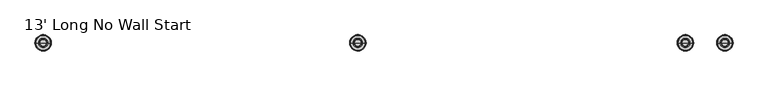
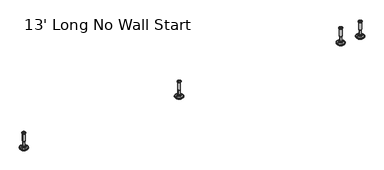
"""IFC4 building model written with IfcOpenShell, lengths in millimetres: furniture geometry, 13' Long No Wall Start."""

from ifc_helpers import new_model, si_unit, frame, origin, place, context, project, spatial, polyline, circle_curve, source, transform, mapped, element, save
from ifc_brep_helpers import plane_surface, cylinder_surface, revolved_surface, advanced_brep


def furniture_13_long_no_wall_start_446778b6(model_context):
    return source(origin(), model_context, "Body", "AdvancedBrep", [
        advanced_brep(
        [(971.7364323, 0.0, 101.6), (980.7143537, 0.0, 101.6), (962.7585109, 0.0, 101.6), (985.8406722, 0.0, 0.0206943), (971.7364323, 0.0, 0.0206943), (957.6321924, 0.0, 0.0206943), (990.718704, 0.0, 1.4194474), (952.7541606, 0.0, 1.4194474), (994.480619, 0.0, 4.7394056), (948.9922456, 0.0, 4.7394056), (995.5980686, 0.0, 7.5051905), (947.874796, 0.0, 7.5051905), (995.5980686, 0.0, 8.3065967), (947.874796, 0.0, 8.3065967), (994.7556654, 0.0, 9.8469348), (948.7171992, 0.0, 9.8469348), (993.6555228, 0.0, 10.8375077), (949.8173418, 0.0, 10.8375077), (986.3518276, 0.0, 12.7338946), (957.121037, 0.0, 12.7338946), (978.9336762, 0.0, 13.3828987), (964.5391884, 0.0, 13.3828987), (978.9336762, 0.0, 14.1772758), (964.5391884, 0.0, 14.1772758), (976.5368834, 0.0, 14.1772758), (966.9359812, 0.0, 14.1772758), (976.5368834, 0.0, 18.8098403), (966.9359812, 0.0, 18.8098403), (977.552736, 0.0, 19.8256929), (965.9201286, 0.0, 19.8256929), (977.552736, 0.0, 48.3056352), (965.9201286, 0.0, 48.3056352), (978.7762639, 0.0, 49.9293116), (964.6966007, 0.0, 49.9293116), (978.7762639, 0.0, 97.327223), (964.6966007, 0.0, 97.327223), (979.6573683, 0.0, 97.6479188), (963.8154963, 0.0, 97.6479188), (980.7063572, 0.0, 97.6479188), (962.7665074, 0.0, 97.6479188), (982.3713871, 0.0, 98.6092242), (961.1014775, 0.0, 98.6092242), (982.3713871, 0.0, 100.6043539), (961.1014775, 0.0, 100.6043539)],
        [
            (0, 1),
            (1, 2, circle_curve(frame((971.7364323, 0.0, 101.6), z_axis=(0.0, 0.0, 1.0), x_axis=(-1.0, 0.0, 0.0)), 8.9779214)),
            (2, 0),
            (2, 1, circle_curve(frame((971.7364323, 0.0, 101.6), z_axis=(0.0, 0.0, 1.0), x_axis=(-1.0, 0.0, 0.0)), 8.9779214)),
            (3, 4),
            (4, 5),
            (5, 3, circle_curve(frame((971.7364323, 0.0, 0.0206943), z_axis=(0.0, 0.0, -1.0), x_axis=(-1.0, 0.0, 0.0)), 14.1042399)),
            (3, 5, circle_curve(frame((971.7364323, 0.0, 0.0206943), z_axis=(0.0, 0.0, -1.0), x_axis=(-1.0, 0.0, 0.0)), 14.1042399)),
            (6, 3),
            (5, 7),
            (7, 6, circle_curve(frame((971.7364323, 0.0, 1.4194474), z_axis=(0.0, 0.0, -1.0), x_axis=(-1.0, 0.0, 0.0)), 18.9822717)),
            (6, 7, circle_curve(frame((971.7364323, 0.0, 1.4194474), z_axis=(0.0, 0.0, -1.0), x_axis=(-1.0, 0.0, 0.0)), 18.9822717)),
            (8, 6),
            (7, 9),
            (9, 8, circle_curve(frame((971.7364323, 0.0, 4.7394056), z_axis=(0.0, 0.0, -1.0), x_axis=(-1.0, 0.0, 0.0)), 22.7441867)),
            (8, 9, circle_curve(frame((971.7364323, 0.0, 4.7394056), z_axis=(0.0, 0.0, -1.0), x_axis=(-1.0, 0.0, 0.0)), 22.7441867)),
            (10, 8),
            (9, 11),
            (11, 10, circle_curve(frame((971.7364323, 0.0, 7.5051905), z_axis=(0.0, 0.0, -1.0), x_axis=(-1.0, 0.0, 0.0)), 23.8616363)),
            (10, 11, circle_curve(frame((971.7364323, 0.0, 7.5051905), z_axis=(0.0, 0.0, -1.0), x_axis=(-1.0, 0.0, 0.0)), 23.8616363)),
            (12, 10),
            (11, 13),
            (13, 12, circle_curve(frame((971.7364323, 0.0, 8.3065967), z_axis=(0.0, 0.0, -1.0), x_axis=(-1.0, 0.0, 0.0)), 23.8616363)),
            (12, 13, circle_curve(frame((971.7364323, 0.0, 8.3065967), z_axis=(0.0, 0.0, -1.0), x_axis=(-1.0, 0.0, 0.0)), 23.8616363)),
            (14, 12),
            (13, 15),
            (15, 14, circle_curve(frame((971.7364323, 0.0, 9.8469348), z_axis=(0.0, 0.0, -1.0), x_axis=(-1.0, 0.0, 0.0)), 23.0192331)),
            (14, 15, circle_curve(frame((971.7364323, 0.0, 9.8469348), z_axis=(0.0, 0.0, -1.0), x_axis=(-1.0, 0.0, 0.0)), 23.0192331)),
            (16, 14),
            (15, 17),
            (17, 16, circle_curve(frame((971.7364323, 0.0, 10.8375077), z_axis=(0.0, 0.0, -1.0), x_axis=(-1.0, 0.0, 0.0)), 21.9190905)),
            (16, 17, circle_curve(frame((971.7364323, 0.0, 10.8375077), z_axis=(0.0, 0.0, -1.0), x_axis=(-1.0, 0.0, 0.0)), 21.9190905)),
            (18, 16),
            (17, 19),
            (19, 18, circle_curve(frame((971.7364323, 0.0, 12.7338946), z_axis=(0.0, 0.0, -1.0), x_axis=(-1.0, 0.0, 0.0)), 14.6153953)),
            (18, 19, circle_curve(frame((971.7364323, 0.0, 12.7338946), z_axis=(0.0, 0.0, -1.0), x_axis=(-1.0, 0.0, 0.0)), 14.6153953)),
            (20, 18),
            (19, 21),
            (21, 20, circle_curve(frame((971.7364323, 0.0, 13.3828987), z_axis=(0.0, 0.0, -1.0), x_axis=(-1.0, 0.0, 0.0)), 7.1972439)),
            (20, 21, circle_curve(frame((971.7364323, 0.0, 13.3828987), z_axis=(0.0, 0.0, -1.0), x_axis=(-1.0, 0.0, 0.0)), 7.1972439)),
            (22, 20),
            (21, 23),
            (23, 22, circle_curve(frame((971.7364323, 0.0, 14.1772758), z_axis=(0.0, 0.0, -1.0), x_axis=(-1.0, 0.0, 0.0)), 7.1972439)),
            (22, 23, circle_curve(frame((971.7364323, 0.0, 14.1772758), z_axis=(0.0, 0.0, -1.0), x_axis=(-1.0, 0.0, 0.0)), 7.1972439)),
            (24, 22),
            (23, 25),
            (25, 24, circle_curve(frame((971.7364323, 0.0, 14.1772758), z_axis=(0.0, 0.0, -1.0), x_axis=(-1.0, 0.0, 0.0)), 4.8004511)),
            (24, 25, circle_curve(frame((971.7364323, 0.0, 14.1772758), z_axis=(0.0, 0.0, -1.0), x_axis=(-1.0, 0.0, 0.0)), 4.8004511)),
            (26, 24),
            (25, 27),
            (27, 26, circle_curve(frame((971.7364323, 0.0, 18.8098403), z_axis=(0.0, 0.0, -1.0), x_axis=(-1.0, 0.0, 0.0)), 4.8004511)),
            (26, 27, circle_curve(frame((971.7364323, 0.0, 18.8098403), z_axis=(0.0, 0.0, -1.0), x_axis=(-1.0, 0.0, 0.0)), 4.8004511)),
            (28, 26),
            (27, 29),
            (29, 28, circle_curve(frame((971.7364323, 0.0, 19.8256929), z_axis=(0.0, 0.0, -1.0), x_axis=(-1.0, 0.0, 0.0)), 5.8163037)),
            (28, 29, circle_curve(frame((971.7364323, 0.0, 19.8256929), z_axis=(0.0, 0.0, -1.0), x_axis=(-1.0, 0.0, 0.0)), 5.8163037)),
            (30, 28),
            (29, 31),
            (31, 30, circle_curve(frame((971.7364323, 0.0, 48.3056352), z_axis=(0.0, 0.0, -1.0), x_axis=(-1.0, 0.0, 0.0)), 5.8163037)),
            (30, 31, circle_curve(frame((971.7364323, 0.0, 48.3056352), z_axis=(0.0, 0.0, -1.0), x_axis=(-1.0, 0.0, 0.0)), 5.8163037)),
            (32, 30),
            (31, 33),
            (33, 32, circle_curve(frame((971.7364323, 0.0, 49.9293116), z_axis=(0.0, 0.0, -1.0), x_axis=(-1.0, 0.0, 0.0)), 7.0398316)),
            (32, 33, circle_curve(frame((971.7364323, 0.0, 49.9293116), z_axis=(0.0, 0.0, -1.0), x_axis=(-1.0, 0.0, 0.0)), 7.0398316)),
            (34, 32),
            (33, 35),
            (35, 34, circle_curve(frame((971.7364323, 0.0, 97.327223), z_axis=(0.0, 0.0, -1.0), x_axis=(-1.0, 0.0, 0.0)), 7.0398316)),
            (34, 35, circle_curve(frame((971.7364323, 0.0, 97.327223), z_axis=(0.0, 0.0, -1.0), x_axis=(-1.0, 0.0, 0.0)), 7.0398316)),
            (36, 34),
            (35, 37),
            (37, 36, circle_curve(frame((971.7364323, 0.0, 97.6479188), z_axis=(0.0, 0.0, -1.0), x_axis=(-1.0, 0.0, 0.0)), 7.920936)),
            (36, 37, circle_curve(frame((971.7364323, 0.0, 97.6479188), z_axis=(0.0, 0.0, -1.0), x_axis=(-1.0, 0.0, 0.0)), 7.920936)),
            (38, 36),
            (37, 39),
            (39, 38, circle_curve(frame((971.7364323, 0.0, 97.6479188), z_axis=(0.0, 0.0, -1.0), x_axis=(-1.0, 0.0, 0.0)), 8.9699249)),
            (38, 39, circle_curve(frame((971.7364323, 0.0, 97.6479188), z_axis=(0.0, 0.0, -1.0), x_axis=(-1.0, 0.0, 0.0)), 8.9699249)),
            (40, 38),
            (39, 41),
            (41, 40, circle_curve(frame((971.7364323, 0.0, 98.6092242), z_axis=(0.0, 0.0, -1.0), x_axis=(-1.0, 0.0, 0.0)), 10.6349548)),
            (40, 41, circle_curve(frame((971.7364323, 0.0, 98.6092242), z_axis=(0.0, 0.0, -1.0), x_axis=(-1.0, 0.0, 0.0)), 10.6349548)),
            (42, 40),
            (41, 43),
            (43, 42, circle_curve(frame((971.7364323, 0.0, 100.6043539), z_axis=(0.0, 0.0, -1.0), x_axis=(-1.0, 0.0, 0.0)), 10.6349548)),
            (42, 43, circle_curve(frame((971.7364323, 0.0, 100.6043539), z_axis=(0.0, 0.0, -1.0), x_axis=(-1.0, 0.0, 0.0)), 10.6349548)),
            (1, 42),
            (43, 2),
        ],
        [
            plane_surface(frame((971.7364323, 0.0, 101.6), z_axis=(0.0, 0.0, 1.0), x_axis=(-1.0, 0.0, 0.0))),
            plane_surface(frame((971.7364323, 0.0, 0.0206943), z_axis=(0.0, 0.0, -1.0), x_axis=(-1.0, 0.0, 0.0))),
            revolved_surface(polyline([(957.6321924, 0.0, 0.0206943), (952.7541606, 0.0, 1.4194474)]), (971.7364323, 0.0, 101.6), (0.0, 0.0, 1.0)),
            revolved_surface(polyline([(952.7541606, 0.0, 1.4194474), (948.9922456, 0.0, 4.7394056)]), (971.7364323, 0.0, 101.6), (0.0, 0.0, 1.0)),
            revolved_surface(polyline([(948.9922456, 0.0, 4.7394056), (947.874796, 0.0, 7.5051905)]), (971.7364323, 0.0, 101.6), (0.0, 0.0, 1.0)),
            cylinder_surface(frame((971.7364323, 0.0, 101.6), z_axis=(0.0, 0.0, 1.0), x_axis=(-1.0, 0.0, 0.0)), 23.8616363),
            revolved_surface(polyline([(947.874796, 0.0, 8.3065967), (948.7171992, 0.0, 9.8469348)]), (971.7364323, 0.0, 101.6), (0.0, 0.0, 1.0)),
            revolved_surface(polyline([(948.7171992, 0.0, 9.8469348), (949.8173418, 0.0, 10.8375077)]), (971.7364323, 0.0, 101.6), (0.0, 0.0, 1.0)),
            revolved_surface(polyline([(949.8173418, 0.0, 10.8375077), (957.121037, 0.0, 12.7338946)]), (971.7364323, 0.0, 101.6), (0.0, 0.0, 1.0)),
            revolved_surface(polyline([(957.121037, 0.0, 12.7338946), (964.5391884, 0.0, 13.3828987)]), (971.7364323, 0.0, 101.6), (0.0, 0.0, 1.0)),
            cylinder_surface(frame((971.7364323, 0.0, 101.6), z_axis=(0.0, 0.0, 1.0), x_axis=(-1.0, 0.0, 0.0)), 7.1972439),
            plane_surface(frame((971.7364323, 0.0, 14.1772758), z_axis=(0.0, 0.0, 1.0), x_axis=(-1.0, 0.0, 0.0))),
            cylinder_surface(frame((971.7364323, 0.0, 101.6), z_axis=(0.0, 0.0, 1.0), x_axis=(-1.0, 0.0, 0.0)), 4.8004511),
            revolved_surface(polyline([(966.9359812, 0.0, 18.8098403), (965.9201286, 0.0, 19.8256929)]), (971.7364323, 0.0, 101.6), (0.0, 0.0, 1.0)),
            cylinder_surface(frame((971.7364323, 0.0, 101.6), z_axis=(0.0, 0.0, 1.0), x_axis=(-1.0, 0.0, 0.0)), 5.8163037),
            revolved_surface(polyline([(965.9201286, 0.0, 48.3056352), (964.6966007, 0.0, 49.9293116)]), (971.7364323, 0.0, 101.6), (0.0, 0.0, 1.0)),
            cylinder_surface(frame((971.7364323, 0.0, 101.6), z_axis=(0.0, 0.0, 1.0), x_axis=(-1.0, 0.0, 0.0)), 7.0398316),
            revolved_surface(polyline([(964.6966007, 0.0, 97.327223), (963.8154963, 0.0, 97.6479188)]), (971.7364323, 0.0, 101.6), (0.0, 0.0, 1.0)),
            plane_surface(frame((971.7364323, 0.0, 97.6479188), z_axis=(0.0, 0.0, -1.0), x_axis=(-1.0, 0.0, 0.0))),
            revolved_surface(polyline([(962.7665074, 0.0, 97.6479188), (961.1014775, 0.0, 98.6092242)]), (971.7364323, 0.0, 101.6), (0.0, 0.0, 1.0)),
            cylinder_surface(frame((971.7364323, 0.0, 101.6), z_axis=(0.0, 0.0, 1.0), x_axis=(-1.0, 0.0, 0.0)), 10.6349548),
            revolved_surface(polyline([(961.1014775, 0.0, 100.6043539), (962.7585109, 0.0, 101.6)]), (971.7364323, 0.0, 101.6), (0.0, 0.0, 1.0)),
        ],
        [
            (0, [[1, 2, 3]]),
            (0, [[-3, 4, -1]]),
            (1, [[5, 6, 7]]),
            (1, [[-6, -5, 8]]),
            (2, [[9, -7, 10, 11]]),
            (2, [[-10, -8, -9, 12]]),
            (3, [[13, -11, 14, 15]]),
            (3, [[-14, -12, -13, 16]]),
            (4, [[17, -15, 18, 19]]),
            (4, [[-18, -16, -17, 20]]),
            (5, [[21, -19, 22, 23]]),
            (5, [[-22, -20, -21, 24]]),
            (6, [[25, -23, 26, 27]]),
            (6, [[-26, -24, -25, 28]]),
            (7, [[29, -27, 30, 31]]),
            (7, [[-30, -28, -29, 32]]),
            (8, [[33, -31, 34, 35]]),
            (8, [[-34, -32, -33, 36]]),
            (9, [[37, -35, 38, 39]]),
            (9, [[-38, -36, -37, 40]]),
            (10, [[41, -39, 42, 43]]),
            (10, [[-42, -40, -41, 44]]),
            (11, [[45, -43, 46, 47]]),
            (11, [[-46, -44, -45, 48]]),
            (12, [[49, -47, 50, 51]]),
            (12, [[-50, -48, -49, 52]]),
            (13, [[53, -51, 54, 55]]),
            (13, [[-54, -52, -53, 56]]),
            (14, [[57, -55, 58, 59]]),
            (14, [[-58, -56, -57, 60]]),
            (15, [[61, -59, 62, 63]]),
            (15, [[-62, -60, -61, 64]]),
            (16, [[65, -63, 66, 67]]),
            (16, [[-66, -64, -65, 68]]),
            (17, [[69, -67, 70, 71]]),
            (17, [[-70, -68, -69, 72]]),
            (18, [[73, -71, 74, 75]]),
            (18, [[-74, -72, -73, 76]]),
            (19, [[77, -75, 78, 79]]),
            (19, [[-78, -76, -77, 80]]),
            (20, [[81, -79, 82, 83]]),
            (20, [[-82, -80, -81, 84]]),
            (21, [[85, -83, 86, -2]]),
            (21, [[-86, -84, -85, -4]]),
        ],
    ),
        advanced_brep(
        [(2038.5364323, 0.0, 101.6), (2047.5143537, 0.0, 101.6), (2029.5585109, 0.0, 101.6), (2052.6406722, 0.0, 0.0206943), (2038.5364323, 0.0, 0.0206943), (2024.4321924, 0.0, 0.0206943), (2057.518704, 0.0, 1.4194474), (2019.5541606, 0.0, 1.4194474), (2061.280619, 0.0, 4.7394056), (2015.7922456, 0.0, 4.7394056), (2062.3980686, 0.0, 7.5051905), (2014.674796, 0.0, 7.5051905), (2062.3980686, 0.0, 8.3065967), (2014.674796, 0.0, 8.3065967), (2061.5556654, 0.0, 9.8469348), (2015.5171992, 0.0, 9.8469348), (2060.4555228, 0.0, 10.8375077), (2016.6173418, 0.0, 10.8375077), (2053.1518276, 0.0, 12.7338946), (2023.921037, 0.0, 12.7338946), (2045.7336762, 0.0, 13.3828987), (2031.3391884, 0.0, 13.3828987), (2045.7336762, 0.0, 14.1772758), (2031.3391884, 0.0, 14.1772758), (2043.3368834, 0.0, 14.1772758), (2033.7359812, 0.0, 14.1772758), (2043.3368834, 0.0, 18.8098403), (2033.7359812, 0.0, 18.8098403), (2044.352736, 0.0, 19.8256929), (2032.7201286, 0.0, 19.8256929), (2044.352736, 0.0, 48.3056352), (2032.7201286, 0.0, 48.3056352), (2045.5762639, 0.0, 49.9293116), (2031.4966007, 0.0, 49.9293116), (2045.5762639, 0.0, 97.327223), (2031.4966007, 0.0, 97.327223), (2046.4573683, 0.0, 97.6479188), (2030.6154963, 0.0, 97.6479188), (2047.5063572, 0.0, 97.6479188), (2029.5665074, 0.0, 97.6479188), (2049.1713871, 0.0, 98.6092242), (2027.9014775, 0.0, 98.6092242), (2049.1713871, 0.0, 100.6043539), (2027.9014775, 0.0, 100.6043539)],
        [
            (0, 1),
            (1, 2, circle_curve(frame((2038.5364323, 0.0, 101.6), z_axis=(0.0, 0.0, 1.0), x_axis=(-1.0, 0.0, 0.0)), 8.9779214)),
            (2, 0),
            (2, 1, circle_curve(frame((2038.5364323, 0.0, 101.6), z_axis=(0.0, 0.0, 1.0), x_axis=(-1.0, 0.0, 0.0)), 8.9779214)),
            (3, 4),
            (4, 5),
            (5, 3, circle_curve(frame((2038.5364323, 0.0, 0.0206943), z_axis=(0.0, 0.0, -1.0), x_axis=(-1.0, 0.0, 0.0)), 14.1042399)),
            (3, 5, circle_curve(frame((2038.5364323, 0.0, 0.0206943), z_axis=(0.0, 0.0, -1.0), x_axis=(-1.0, 0.0, 0.0)), 14.1042399)),
            (6, 3),
            (5, 7),
            (7, 6, circle_curve(frame((2038.5364323, 0.0, 1.4194474), z_axis=(0.0, 0.0, -1.0), x_axis=(-1.0, 0.0, 0.0)), 18.9822717)),
            (6, 7, circle_curve(frame((2038.5364323, 0.0, 1.4194474), z_axis=(0.0, 0.0, -1.0), x_axis=(-1.0, 0.0, 0.0)), 18.9822717)),
            (8, 6),
            (7, 9),
            (9, 8, circle_curve(frame((2038.5364323, 0.0, 4.7394056), z_axis=(0.0, 0.0, -1.0), x_axis=(-1.0, 0.0, 0.0)), 22.7441867)),
            (8, 9, circle_curve(frame((2038.5364323, 0.0, 4.7394056), z_axis=(0.0, 0.0, -1.0), x_axis=(-1.0, 0.0, 0.0)), 22.7441867)),
            (10, 8),
            (9, 11),
            (11, 10, circle_curve(frame((2038.5364323, 0.0, 7.5051905), z_axis=(0.0, 0.0, -1.0), x_axis=(-1.0, 0.0, 0.0)), 23.8616363)),
            (10, 11, circle_curve(frame((2038.5364323, 0.0, 7.5051905), z_axis=(0.0, 0.0, -1.0), x_axis=(-1.0, 0.0, 0.0)), 23.8616363)),
            (12, 10),
            (11, 13),
            (13, 12, circle_curve(frame((2038.5364323, 0.0, 8.3065967), z_axis=(0.0, 0.0, -1.0), x_axis=(-1.0, 0.0, 0.0)), 23.8616363)),
            (12, 13, circle_curve(frame((2038.5364323, 0.0, 8.3065967), z_axis=(0.0, 0.0, -1.0), x_axis=(-1.0, 0.0, 0.0)), 23.8616363)),
            (14, 12),
            (13, 15),
            (15, 14, circle_curve(frame((2038.5364323, 0.0, 9.8469348), z_axis=(0.0, 0.0, -1.0), x_axis=(-1.0, 0.0, 0.0)), 23.0192331)),
            (14, 15, circle_curve(frame((2038.5364323, 0.0, 9.8469348), z_axis=(0.0, 0.0, -1.0), x_axis=(-1.0, 0.0, 0.0)), 23.0192331)),
            (16, 14),
            (15, 17),
            (17, 16, circle_curve(frame((2038.5364323, 0.0, 10.8375077), z_axis=(0.0, 0.0, -1.0), x_axis=(-1.0, 0.0, 0.0)), 21.9190905)),
            (16, 17, circle_curve(frame((2038.5364323, 0.0, 10.8375077), z_axis=(0.0, 0.0, -1.0), x_axis=(-1.0, 0.0, 0.0)), 21.9190905)),
            (18, 16),
            (17, 19),
            (19, 18, circle_curve(frame((2038.5364323, 0.0, 12.7338946), z_axis=(0.0, 0.0, -1.0), x_axis=(-1.0, 0.0, 0.0)), 14.6153953)),
            (18, 19, circle_curve(frame((2038.5364323, 0.0, 12.7338946), z_axis=(0.0, 0.0, -1.0), x_axis=(-1.0, 0.0, 0.0)), 14.6153953)),
            (20, 18),
            (19, 21),
            (21, 20, circle_curve(frame((2038.5364323, 0.0, 13.3828987), z_axis=(0.0, 0.0, -1.0), x_axis=(-1.0, 0.0, 0.0)), 7.1972439)),
            (20, 21, circle_curve(frame((2038.5364323, 0.0, 13.3828987), z_axis=(0.0, 0.0, -1.0), x_axis=(-1.0, 0.0, 0.0)), 7.1972439)),
            (22, 20),
            (21, 23),
            (23, 22, circle_curve(frame((2038.5364323, 0.0, 14.1772758), z_axis=(0.0, 0.0, -1.0), x_axis=(-1.0, 0.0, 0.0)), 7.1972439)),
            (22, 23, circle_curve(frame((2038.5364323, 0.0, 14.1772758), z_axis=(0.0, 0.0, -1.0), x_axis=(-1.0, 0.0, 0.0)), 7.1972439)),
            (24, 22),
            (23, 25),
            (25, 24, circle_curve(frame((2038.5364323, 0.0, 14.1772758), z_axis=(0.0, 0.0, -1.0), x_axis=(-1.0, 0.0, 0.0)), 4.8004511)),
            (24, 25, circle_curve(frame((2038.5364323, 0.0, 14.1772758), z_axis=(0.0, 0.0, -1.0), x_axis=(-1.0, 0.0, 0.0)), 4.8004511)),
            (26, 24),
            (25, 27),
            (27, 26, circle_curve(frame((2038.5364323, 0.0, 18.8098403), z_axis=(0.0, 0.0, -1.0), x_axis=(-1.0, 0.0, 0.0)), 4.8004511)),
            (26, 27, circle_curve(frame((2038.5364323, 0.0, 18.8098403), z_axis=(0.0, 0.0, -1.0), x_axis=(-1.0, 0.0, 0.0)), 4.8004511)),
            (28, 26),
            (27, 29),
            (29, 28, circle_curve(frame((2038.5364323, 0.0, 19.8256929), z_axis=(0.0, 0.0, -1.0), x_axis=(-1.0, 0.0, 0.0)), 5.8163037)),
            (28, 29, circle_curve(frame((2038.5364323, 0.0, 19.8256929), z_axis=(0.0, 0.0, -1.0), x_axis=(-1.0, 0.0, 0.0)), 5.8163037)),
            (30, 28),
            (29, 31),
            (31, 30, circle_curve(frame((2038.5364323, 0.0, 48.3056352), z_axis=(0.0, 0.0, -1.0), x_axis=(-1.0, 0.0, 0.0)), 5.8163037)),
            (30, 31, circle_curve(frame((2038.5364323, 0.0, 48.3056352), z_axis=(0.0, 0.0, -1.0), x_axis=(-1.0, 0.0, 0.0)), 5.8163037)),
            (32, 30),
            (31, 33),
            (33, 32, circle_curve(frame((2038.5364323, 0.0, 49.9293116), z_axis=(0.0, 0.0, -1.0), x_axis=(-1.0, 0.0, 0.0)), 7.0398316)),
            (32, 33, circle_curve(frame((2038.5364323, 0.0, 49.9293116), z_axis=(0.0, 0.0, -1.0), x_axis=(-1.0, 0.0, 0.0)), 7.0398316)),
            (34, 32),
            (33, 35),
            (35, 34, circle_curve(frame((2038.5364323, 0.0, 97.327223), z_axis=(0.0, 0.0, -1.0), x_axis=(-1.0, 0.0, 0.0)), 7.0398316)),
            (34, 35, circle_curve(frame((2038.5364323, 0.0, 97.327223), z_axis=(0.0, 0.0, -1.0), x_axis=(-1.0, 0.0, 0.0)), 7.0398316)),
            (36, 34),
            (35, 37),
            (37, 36, circle_curve(frame((2038.5364323, 0.0, 97.6479188), z_axis=(0.0, 0.0, -1.0), x_axis=(-1.0, 0.0, 0.0)), 7.920936)),
            (36, 37, circle_curve(frame((2038.5364323, 0.0, 97.6479188), z_axis=(0.0, 0.0, -1.0), x_axis=(-1.0, 0.0, 0.0)), 7.920936)),
            (38, 36),
            (37, 39),
            (39, 38, circle_curve(frame((2038.5364323, 0.0, 97.6479188), z_axis=(0.0, 0.0, -1.0), x_axis=(-1.0, 0.0, 0.0)), 8.9699249)),
            (38, 39, circle_curve(frame((2038.5364323, 0.0, 97.6479188), z_axis=(0.0, 0.0, -1.0), x_axis=(-1.0, 0.0, 0.0)), 8.9699249)),
            (40, 38),
            (39, 41),
            (41, 40, circle_curve(frame((2038.5364323, 0.0, 98.6092242), z_axis=(0.0, 0.0, -1.0), x_axis=(-1.0, 0.0, 0.0)), 10.6349548)),
            (40, 41, circle_curve(frame((2038.5364323, 0.0, 98.6092242), z_axis=(0.0, 0.0, -1.0), x_axis=(-1.0, 0.0, 0.0)), 10.6349548)),
            (42, 40),
            (41, 43),
            (43, 42, circle_curve(frame((2038.5364323, 0.0, 100.6043539), z_axis=(0.0, 0.0, -1.0), x_axis=(-1.0, 0.0, 0.0)), 10.6349548)),
            (42, 43, circle_curve(frame((2038.5364323, 0.0, 100.6043539), z_axis=(0.0, 0.0, -1.0), x_axis=(-1.0, 0.0, 0.0)), 10.6349548)),
            (1, 42),
            (43, 2),
        ],
        [
            plane_surface(frame((2038.5364323, 0.0, 101.6), z_axis=(0.0, 0.0, 1.0), x_axis=(-1.0, 0.0, 0.0))),
            plane_surface(frame((2038.5364323, 0.0, 0.0206943), z_axis=(0.0, 0.0, -1.0), x_axis=(-1.0, 0.0, 0.0))),
            revolved_surface(polyline([(2024.4321924, 0.0, 0.0206943), (2019.5541606, 0.0, 1.4194474)]), (2038.5364323, 0.0, 101.6), (0.0, 0.0, 1.0)),
            revolved_surface(polyline([(2019.5541606, 0.0, 1.4194474), (2015.7922456, 0.0, 4.7394056)]), (2038.5364323, 0.0, 101.6), (0.0, 0.0, 1.0)),
            revolved_surface(polyline([(2015.7922456, 0.0, 4.7394056), (2014.674796, 0.0, 7.5051905)]), (2038.5364323, 0.0, 101.6), (0.0, 0.0, 1.0)),
            cylinder_surface(frame((2038.5364323, 0.0, 101.6), z_axis=(0.0, 0.0, 1.0), x_axis=(-1.0, 0.0, 0.0)), 23.8616363),
            revolved_surface(polyline([(2014.674796, 0.0, 8.3065967), (2015.5171992, 0.0, 9.8469348)]), (2038.5364323, 0.0, 101.6), (0.0, 0.0, 1.0)),
            revolved_surface(polyline([(2015.5171992, 0.0, 9.8469348), (2016.6173418, 0.0, 10.8375077)]), (2038.5364323, 0.0, 101.6), (0.0, 0.0, 1.0)),
            revolved_surface(polyline([(2016.6173418, 0.0, 10.8375077), (2023.921037, 0.0, 12.7338946)]), (2038.5364323, 0.0, 101.6), (0.0, 0.0, 1.0)),
            revolved_surface(polyline([(2023.921037, 0.0, 12.7338946), (2031.3391884, 0.0, 13.3828987)]), (2038.5364323, 0.0, 101.6), (0.0, 0.0, 1.0)),
            cylinder_surface(frame((2038.5364323, 0.0, 101.6), z_axis=(0.0, 0.0, 1.0), x_axis=(-1.0, 0.0, 0.0)), 7.1972439),
            plane_surface(frame((2038.5364323, 0.0, 14.1772758), z_axis=(0.0, 0.0, 1.0), x_axis=(-1.0, 0.0, 0.0))),
            cylinder_surface(frame((2038.5364323, 0.0, 101.6), z_axis=(0.0, 0.0, 1.0), x_axis=(-1.0, 0.0, 0.0)), 4.8004511),
            revolved_surface(polyline([(2033.7359812, 0.0, 18.8098403), (2032.7201286, 0.0, 19.8256929)]), (2038.5364323, 0.0, 101.6), (0.0, 0.0, 1.0)),
            cylinder_surface(frame((2038.5364323, 0.0, 101.6), z_axis=(0.0, 0.0, 1.0), x_axis=(-1.0, 0.0, 0.0)), 5.8163037),
            revolved_surface(polyline([(2032.7201286, 0.0, 48.3056352), (2031.4966007, 0.0, 49.9293116)]), (2038.5364323, 0.0, 101.6), (0.0, 0.0, 1.0)),
            cylinder_surface(frame((2038.5364323, 0.0, 101.6), z_axis=(0.0, 0.0, 1.0), x_axis=(-1.0, 0.0, 0.0)), 7.0398316),
            revolved_surface(polyline([(2031.4966007, 0.0, 97.327223), (2030.6154963, 0.0, 97.6479188)]), (2038.5364323, 0.0, 101.6), (0.0, 0.0, 1.0)),
            plane_surface(frame((2038.5364323, 0.0, 97.6479188), z_axis=(0.0, 0.0, -1.0), x_axis=(-1.0, 0.0, 0.0))),
            revolved_surface(polyline([(2029.5665074, 0.0, 97.6479188), (2027.9014775, 0.0, 98.6092242)]), (2038.5364323, 0.0, 101.6), (0.0, 0.0, 1.0)),
            cylinder_surface(frame((2038.5364323, 0.0, 101.6), z_axis=(0.0, 0.0, 1.0), x_axis=(-1.0, 0.0, 0.0)), 10.6349548),
            revolved_surface(polyline([(2027.9014775, 0.0, 100.6043539), (2029.5585109, 0.0, 101.6)]), (2038.5364323, 0.0, 101.6), (0.0, 0.0, 1.0)),
        ],
        [
            (0, [[1, 2, 3]]),
            (0, [[-3, 4, -1]]),
            (1, [[5, 6, 7]]),
            (1, [[-6, -5, 8]]),
            (2, [[9, -7, 10, 11]]),
            (2, [[-10, -8, -9, 12]]),
            (3, [[13, -11, 14, 15]]),
            (3, [[-14, -12, -13, 16]]),
            (4, [[17, -15, 18, 19]]),
            (4, [[-18, -16, -17, 20]]),
            (5, [[21, -19, 22, 23]]),
            (5, [[-22, -20, -21, 24]]),
            (6, [[25, -23, 26, 27]]),
            (6, [[-26, -24, -25, 28]]),
            (7, [[29, -27, 30, 31]]),
            (7, [[-30, -28, -29, 32]]),
            (8, [[33, -31, 34, 35]]),
            (8, [[-34, -32, -33, 36]]),
            (9, [[37, -35, 38, 39]]),
            (9, [[-38, -36, -37, 40]]),
            (10, [[41, -39, 42, 43]]),
            (10, [[-42, -40, -41, 44]]),
            (11, [[45, -43, 46, 47]]),
            (11, [[-46, -44, -45, 48]]),
            (12, [[49, -47, 50, 51]]),
            (12, [[-50, -48, -49, 52]]),
            (13, [[53, -51, 54, 55]]),
            (13, [[-54, -52, -53, 56]]),
            (14, [[57, -55, 58, 59]]),
            (14, [[-58, -56, -57, 60]]),
            (15, [[61, -59, 62, 63]]),
            (15, [[-62, -60, -61, 64]]),
            (16, [[65, -63, 66, 67]]),
            (16, [[-66, -64, -65, 68]]),
            (17, [[69, -67, 70, 71]]),
            (17, [[-70, -68, -69, 72]]),
            (18, [[73, -71, 74, 75]]),
            (18, [[-74, -72, -73, 76]]),
            (19, [[77, -75, 78, 79]]),
            (19, [[-78, -76, -77, 80]]),
            (20, [[81, -79, 82, 83]]),
            (20, [[-82, -80, -81, 84]]),
            (21, [[85, -83, 86, -2]]),
            (21, [[-86, -84, -85, -4]]),
        ],
    ),
        advanced_brep(
        [(1923.8635677, 0.0, 101.6), (1932.8414891, 0.0, 101.6), (1914.8856463, 0.0, 101.6), (1909.7593278, 0.0, 0.0206943), (1937.9678076, 0.0, 0.0206943), (1923.8635677, 0.0, 0.0206943), (1904.881296, 0.0, 1.4194474), (1942.8458394, 0.0, 1.4194474), (1901.119381, 0.0, 4.7394056), (1946.6077544, 0.0, 4.7394056), (1900.0019314, 0.0, 7.5051905), (1947.725204, 0.0, 7.5051905), (1900.0019314, 0.0, 8.3065967), (1947.725204, 0.0, 8.3065967), (1900.8443346, 0.0, 9.8469348), (1946.8828008, 0.0, 9.8469348), (1901.9444772, 0.0, 10.8375077), (1945.7826582, 0.0, 10.8375077), (1909.2481724, 0.0, 12.7338946), (1938.478963, 0.0, 12.7338946), (1916.6663238, 0.0, 13.3828987), (1931.0608116, 0.0, 13.3828987), (1916.6663238, 0.0, 14.1772758), (1931.0608116, 0.0, 14.1772758), (1919.0631166, 0.0, 14.1772758), (1928.6640188, 0.0, 14.1772758), (1919.0631166, 0.0, 18.8098403), (1928.6640188, 0.0, 18.8098403), (1918.047264, 0.0, 19.8256929), (1929.6798714, 0.0, 19.8256929), (1918.047264, 0.0, 48.3056352), (1929.6798714, 0.0, 48.3056352), (1916.8237361, 0.0, 49.9293116), (1930.9033993, 0.0, 49.9293116), (1916.8237361, 0.0, 97.327223), (1930.9033993, 0.0, 97.327223), (1915.9426317, 0.0, 97.6479188), (1931.7845037, 0.0, 97.6479188), (1914.8936428, 0.0, 97.6479188), (1932.8334926, 0.0, 97.6479188), (1913.2286129, 0.0, 98.6092242), (1934.4985225, 0.0, 98.6092242), (1913.2286129, 0.0, 100.6043539), (1934.4985225, 0.0, 100.6043539)],
        [
            (0, 1),
            (1, 2, circle_curve(frame((1923.8635677, 0.0, 101.6), z_axis=(0.0, 0.0, 1.0), x_axis=(1.0, 0.0, 0.0)), 8.9779214)),
            (2, 0),
            (2, 1, circle_curve(frame((1923.8635677, 0.0, 101.6), z_axis=(0.0, 0.0, 1.0), x_axis=(1.0, 0.0, 0.0)), 8.9779214)),
            (3, 4, circle_curve(frame((1923.8635677, 0.0, 0.0206943), z_axis=(0.0, 0.0, -1.0), x_axis=(1.0, 0.0, 0.0)), 14.1042399)),
            (4, 5),
            (5, 3),
            (4, 3, circle_curve(frame((1923.8635677, 0.0, 0.0206943), z_axis=(0.0, 0.0, -1.0), x_axis=(1.0, 0.0, 0.0)), 14.1042399)),
            (6, 7, circle_curve(frame((1923.8635677, 0.0, 1.4194474), z_axis=(0.0, 0.0, -1.0), x_axis=(1.0, 0.0, 0.0)), 18.9822717)),
            (7, 4),
            (3, 6),
            (7, 6, circle_curve(frame((1923.8635677, 0.0, 1.4194474), z_axis=(0.0, 0.0, -1.0), x_axis=(1.0, 0.0, 0.0)), 18.9822717)),
            (8, 9, circle_curve(frame((1923.8635677, 0.0, 4.7394056), z_axis=(0.0, 0.0, -1.0), x_axis=(1.0, 0.0, 0.0)), 22.7441867)),
            (9, 7),
            (6, 8),
            (9, 8, circle_curve(frame((1923.8635677, 0.0, 4.7394056), z_axis=(0.0, 0.0, -1.0), x_axis=(1.0, 0.0, 0.0)), 22.7441867)),
            (10, 11, circle_curve(frame((1923.8635677, 0.0, 7.5051905), z_axis=(0.0, 0.0, -1.0), x_axis=(1.0, 0.0, 0.0)), 23.8616363)),
            (11, 9),
            (8, 10),
            (11, 10, circle_curve(frame((1923.8635677, 0.0, 7.5051905), z_axis=(0.0, 0.0, -1.0), x_axis=(1.0, 0.0, 0.0)), 23.8616363)),
            (12, 13, circle_curve(frame((1923.8635677, 0.0, 8.3065967), z_axis=(0.0, 0.0, -1.0), x_axis=(1.0, 0.0, 0.0)), 23.8616363)),
            (13, 11),
            (10, 12),
            (13, 12, circle_curve(frame((1923.8635677, 0.0, 8.3065967), z_axis=(0.0, 0.0, -1.0), x_axis=(1.0, 0.0, 0.0)), 23.8616363)),
            (14, 15, circle_curve(frame((1923.8635677, 0.0, 9.8469348), z_axis=(0.0, 0.0, -1.0), x_axis=(1.0, 0.0, 0.0)), 23.0192331)),
            (15, 13),
            (12, 14),
            (15, 14, circle_curve(frame((1923.8635677, 0.0, 9.8469348), z_axis=(0.0, 0.0, -1.0), x_axis=(1.0, 0.0, 0.0)), 23.0192331)),
            (16, 17, circle_curve(frame((1923.8635677, 0.0, 10.8375077), z_axis=(0.0, 0.0, -1.0), x_axis=(1.0, 0.0, 0.0)), 21.9190905)),
            (17, 15),
            (14, 16),
            (17, 16, circle_curve(frame((1923.8635677, 0.0, 10.8375077), z_axis=(0.0, 0.0, -1.0), x_axis=(1.0, 0.0, 0.0)), 21.9190905)),
            (18, 19, circle_curve(frame((1923.8635677, 0.0, 12.7338946), z_axis=(0.0, 0.0, -1.0), x_axis=(1.0, 0.0, 0.0)), 14.6153953)),
            (19, 17),
            (16, 18),
            (19, 18, circle_curve(frame((1923.8635677, 0.0, 12.7338946), z_axis=(0.0, 0.0, -1.0), x_axis=(1.0, 0.0, 0.0)), 14.6153953)),
            (20, 21, circle_curve(frame((1923.8635677, 0.0, 13.3828987), z_axis=(0.0, 0.0, -1.0), x_axis=(1.0, 0.0, 0.0)), 7.1972439)),
            (21, 19),
            (18, 20),
            (21, 20, circle_curve(frame((1923.8635677, 0.0, 13.3828987), z_axis=(0.0, 0.0, -1.0), x_axis=(1.0, 0.0, 0.0)), 7.1972439)),
            (22, 23, circle_curve(frame((1923.8635677, 0.0, 14.1772758), z_axis=(0.0, 0.0, -1.0), x_axis=(1.0, 0.0, 0.0)), 7.1972439)),
            (23, 21),
            (20, 22),
            (23, 22, circle_curve(frame((1923.8635677, 0.0, 14.1772758), z_axis=(0.0, 0.0, -1.0), x_axis=(1.0, 0.0, 0.0)), 7.1972439)),
            (24, 25, circle_curve(frame((1923.8635677, 0.0, 14.1772758), z_axis=(0.0, 0.0, -1.0), x_axis=(1.0, 0.0, 0.0)), 4.8004511)),
            (25, 23),
            (22, 24),
            (25, 24, circle_curve(frame((1923.8635677, 0.0, 14.1772758), z_axis=(0.0, 0.0, -1.0), x_axis=(1.0, 0.0, 0.0)), 4.8004511)),
            (26, 27, circle_curve(frame((1923.8635677, 0.0, 18.8098403), z_axis=(0.0, 0.0, -1.0), x_axis=(1.0, 0.0, 0.0)), 4.8004511)),
            (27, 25),
            (24, 26),
            (27, 26, circle_curve(frame((1923.8635677, 0.0, 18.8098403), z_axis=(0.0, 0.0, -1.0), x_axis=(1.0, 0.0, 0.0)), 4.8004511)),
            (28, 29, circle_curve(frame((1923.8635677, 0.0, 19.8256929), z_axis=(0.0, 0.0, -1.0), x_axis=(1.0, 0.0, 0.0)), 5.8163037)),
            (29, 27),
            (26, 28),
            (29, 28, circle_curve(frame((1923.8635677, 0.0, 19.8256929), z_axis=(0.0, 0.0, -1.0), x_axis=(1.0, 0.0, 0.0)), 5.8163037)),
            (30, 31, circle_curve(frame((1923.8635677, 0.0, 48.3056352), z_axis=(0.0, 0.0, -1.0), x_axis=(1.0, 0.0, 0.0)), 5.8163037)),
            (31, 29),
            (28, 30),
            (31, 30, circle_curve(frame((1923.8635677, 0.0, 48.3056352), z_axis=(0.0, 0.0, -1.0), x_axis=(1.0, 0.0, 0.0)), 5.8163037)),
            (32, 33, circle_curve(frame((1923.8635677, 0.0, 49.9293116), z_axis=(0.0, 0.0, -1.0), x_axis=(1.0, 0.0, 0.0)), 7.0398316)),
            (33, 31),
            (30, 32),
            (33, 32, circle_curve(frame((1923.8635677, 0.0, 49.9293116), z_axis=(0.0, 0.0, -1.0), x_axis=(1.0, 0.0, 0.0)), 7.0398316)),
            (34, 35, circle_curve(frame((1923.8635677, 0.0, 97.327223), z_axis=(0.0, 0.0, -1.0), x_axis=(1.0, 0.0, 0.0)), 7.0398316)),
            (35, 33),
            (32, 34),
            (35, 34, circle_curve(frame((1923.8635677, 0.0, 97.327223), z_axis=(0.0, 0.0, -1.0), x_axis=(1.0, 0.0, 0.0)), 7.0398316)),
            (36, 37, circle_curve(frame((1923.8635677, 0.0, 97.6479188), z_axis=(0.0, 0.0, -1.0), x_axis=(1.0, 0.0, 0.0)), 7.920936)),
            (37, 35),
            (34, 36),
            (37, 36, circle_curve(frame((1923.8635677, 0.0, 97.6479188), z_axis=(0.0, 0.0, -1.0), x_axis=(1.0, 0.0, 0.0)), 7.920936)),
            (38, 39, circle_curve(frame((1923.8635677, 0.0, 97.6479188), z_axis=(0.0, 0.0, -1.0), x_axis=(1.0, 0.0, 0.0)), 8.9699249)),
            (39, 37),
            (36, 38),
            (39, 38, circle_curve(frame((1923.8635677, 0.0, 97.6479188), z_axis=(0.0, 0.0, -1.0), x_axis=(1.0, 0.0, 0.0)), 8.9699249)),
            (40, 41, circle_curve(frame((1923.8635677, 0.0, 98.6092242), z_axis=(0.0, 0.0, -1.0), x_axis=(1.0, 0.0, 0.0)), 10.6349548)),
            (41, 39),
            (38, 40),
            (41, 40, circle_curve(frame((1923.8635677, 0.0, 98.6092242), z_axis=(0.0, 0.0, -1.0), x_axis=(1.0, 0.0, 0.0)), 10.6349548)),
            (42, 43, circle_curve(frame((1923.8635677, 0.0, 100.6043539), z_axis=(0.0, 0.0, -1.0), x_axis=(1.0, 0.0, 0.0)), 10.6349548)),
            (43, 41),
            (40, 42),
            (43, 42, circle_curve(frame((1923.8635677, 0.0, 100.6043539), z_axis=(0.0, 0.0, -1.0), x_axis=(1.0, 0.0, 0.0)), 10.6349548)),
            (1, 43),
            (42, 2),
        ],
        [
            plane_surface(frame((1923.8635677, 0.0, 101.6), z_axis=(0.0, 0.0, 1.0), x_axis=(1.0, 0.0, 0.0))),
            plane_surface(frame((1923.8635677, 0.0, 0.0206943), z_axis=(0.0, 0.0, -1.0), x_axis=(1.0, 0.0, 0.0))),
            revolved_surface(polyline([(1937.9678076, 0.0, 0.0206943), (1942.8458394, 0.0, 1.4194474)]), (1923.8635677, 0.0, 101.6), (0.0, 0.0, 1.0)),
            revolved_surface(polyline([(1942.8458394, 0.0, 1.4194474), (1946.6077544, 0.0, 4.7394056)]), (1923.8635677, 0.0, 101.6), (0.0, 0.0, 1.0)),
            revolved_surface(polyline([(1946.6077544, 0.0, 4.7394056), (1947.725204, 0.0, 7.5051905)]), (1923.8635677, 0.0, 101.6), (0.0, 0.0, 1.0)),
            cylinder_surface(frame((1923.8635677, 0.0, 101.6), z_axis=(0.0, 0.0, 1.0), x_axis=(1.0, 0.0, 0.0)), 23.8616363),
            revolved_surface(polyline([(1947.725204, 0.0, 8.3065967), (1946.8828008, 0.0, 9.8469348)]), (1923.8635677, 0.0, 101.6), (0.0, 0.0, 1.0)),
            revolved_surface(polyline([(1946.8828008, 0.0, 9.8469348), (1945.7826582, 0.0, 10.8375077)]), (1923.8635677, 0.0, 101.6), (0.0, 0.0, 1.0)),
            revolved_surface(polyline([(1945.7826582, 0.0, 10.8375077), (1938.478963, 0.0, 12.7338946)]), (1923.8635677, 0.0, 101.6), (0.0, 0.0, 1.0)),
            revolved_surface(polyline([(1938.478963, 0.0, 12.7338946), (1931.0608116, 0.0, 13.3828987)]), (1923.8635677, 0.0, 101.6), (0.0, 0.0, 1.0)),
            cylinder_surface(frame((1923.8635677, 0.0, 101.6), z_axis=(0.0, 0.0, 1.0), x_axis=(1.0, 0.0, 0.0)), 7.1972439),
            plane_surface(frame((1923.8635677, 0.0, 14.1772758), z_axis=(0.0, 0.0, 1.0), x_axis=(1.0, 0.0, 0.0))),
            cylinder_surface(frame((1923.8635677, 0.0, 101.6), z_axis=(0.0, 0.0, 1.0), x_axis=(1.0, 0.0, 0.0)), 4.8004511),
            revolved_surface(polyline([(1928.6640188, 0.0, 18.8098403), (1929.6798714, 0.0, 19.8256929)]), (1923.8635677, 0.0, 101.6), (0.0, 0.0, 1.0)),
            cylinder_surface(frame((1923.8635677, 0.0, 101.6), z_axis=(0.0, 0.0, 1.0), x_axis=(1.0, 0.0, 0.0)), 5.8163037),
            revolved_surface(polyline([(1929.6798714, 0.0, 48.3056352), (1930.9033993, 0.0, 49.9293116)]), (1923.8635677, 0.0, 101.6), (0.0, 0.0, 1.0)),
            cylinder_surface(frame((1923.8635677, 0.0, 101.6), z_axis=(0.0, 0.0, 1.0), x_axis=(1.0, 0.0, 0.0)), 7.0398316),
            revolved_surface(polyline([(1930.9033993, 0.0, 97.327223), (1931.7845037, 0.0, 97.6479188)]), (1923.8635677, 0.0, 101.6), (0.0, 0.0, 1.0)),
            plane_surface(frame((1923.8635677, 0.0, 97.6479188), z_axis=(0.0, 0.0, -1.0), x_axis=(1.0, 0.0, 0.0))),
            revolved_surface(polyline([(1932.8334926, 0.0, 97.6479188), (1934.4985225, 0.0, 98.6092242)]), (1923.8635677, 0.0, 101.6), (0.0, 0.0, 1.0)),
            cylinder_surface(frame((1923.8635677, 0.0, 101.6), z_axis=(0.0, 0.0, 1.0), x_axis=(1.0, 0.0, 0.0)), 10.6349548),
            revolved_surface(polyline([(1934.4985225, 0.0, 100.6043539), (1932.8414891, 0.0, 101.6)]), (1923.8635677, 0.0, 101.6), (0.0, 0.0, 1.0)),
        ],
        [
            (0, [[1, 2, 3]]),
            (0, [[-3, 4, -1]]),
            (1, [[5, 6, 7]]),
            (1, [[8, -7, -6]]),
            (2, [[9, 10, -5, 11]]),
            (2, [[12, -11, -8, -10]]),
            (3, [[13, 14, -9, 15]]),
            (3, [[16, -15, -12, -14]]),
            (4, [[17, 18, -13, 19]]),
            (4, [[20, -19, -16, -18]]),
            (5, [[21, 22, -17, 23]]),
            (5, [[24, -23, -20, -22]]),
            (6, [[25, 26, -21, 27]]),
            (6, [[28, -27, -24, -26]]),
            (7, [[29, 30, -25, 31]]),
            (7, [[32, -31, -28, -30]]),
            (8, [[33, 34, -29, 35]]),
            (8, [[36, -35, -32, -34]]),
            (9, [[37, 38, -33, 39]]),
            (9, [[40, -39, -36, -38]]),
            (10, [[41, 42, -37, 43]]),
            (10, [[44, -43, -40, -42]]),
            (11, [[45, 46, -41, 47]]),
            (11, [[48, -47, -44, -46]]),
            (12, [[49, 50, -45, 51]]),
            (12, [[52, -51, -48, -50]]),
            (13, [[53, 54, -49, 55]]),
            (13, [[56, -55, -52, -54]]),
            (14, [[57, 58, -53, 59]]),
            (14, [[60, -59, -56, -58]]),
            (15, [[61, 62, -57, 63]]),
            (15, [[64, -63, -60, -62]]),
            (16, [[65, 66, -61, 67]]),
            (16, [[68, -67, -64, -66]]),
            (17, [[69, 70, -65, 71]]),
            (17, [[72, -71, -68, -70]]),
            (18, [[73, 74, -69, 75]]),
            (18, [[76, -75, -72, -74]]),
            (19, [[77, 78, -73, 79]]),
            (19, [[80, -79, -76, -78]]),
            (20, [[81, 82, -77, 83]]),
            (20, [[84, -83, -80, -82]]),
            (21, [[-2, 85, -81, 86]]),
            (21, [[-4, -86, -84, -85]]),
        ],
    ),
        advanced_brep(
        [(57.0627865, 0.0, 101.6), (66.0407079, 0.0, 101.6), (48.084865, 0.0, 101.6), (42.9585465, 0.0, 0.0206943), (71.1670264, 0.0, 0.0206943), (57.0627865, 0.0, 0.0206943), (38.0805148, 0.0, 1.4194474), (76.0450581, 0.0, 1.4194474), (34.3185997, 0.0, 4.7394056), (79.8069732, 0.0, 4.7394056), (33.2011501, 0.0, 7.5051905), (80.9244228, 0.0, 7.5051905), (33.2011501, 0.0, 8.3065967), (80.9244228, 0.0, 8.3065967), (34.0435533, 0.0, 9.8469348), (80.0820196, 0.0, 9.8469348), (35.143696, 0.0, 10.8375077), (78.9818769, 0.0, 10.8375077), (42.4473912, 0.0, 12.7338946), (71.6781817, 0.0, 12.7338946), (49.8655426, 0.0, 13.3828987), (64.2600304, 0.0, 13.3828987), (49.8655426, 0.0, 14.1772758), (64.2600304, 0.0, 14.1772758), (52.2623354, 0.0, 14.1772758), (61.8632375, 0.0, 14.1772758), (52.2623354, 0.0, 18.8098403), (61.8632375, 0.0, 18.8098403), (51.2464827, 0.0, 19.8256929), (62.8790902, 0.0, 19.8256929), (51.2464827, 0.0, 48.3056352), (62.8790902, 0.0, 48.3056352), (50.0229548, 0.0, 49.9293116), (64.1026181, 0.0, 49.9293116), (50.0229548, 0.0, 97.327223), (64.1026181, 0.0, 97.327223), (49.1418505, 0.0, 97.6479188), (64.9837224, 0.0, 97.6479188), (48.0928615, 0.0, 97.6479188), (66.0327114, 0.0, 97.6479188), (46.4278316, 0.0, 98.6092242), (67.6977413, 0.0, 98.6092242), (46.4278316, 0.0, 100.6043539), (67.6977413, 0.0, 100.6043539)],
        [
            (0, 1),
            (1, 2, circle_curve(frame((57.0627865, 0.0, 101.6), z_axis=(0.0, 0.0, 1.0), x_axis=(1.0, 0.0, 0.0)), 8.9779214)),
            (2, 0),
            (2, 1, circle_curve(frame((57.0627865, 0.0, 101.6), z_axis=(0.0, 0.0, 1.0), x_axis=(1.0, 0.0, 0.0)), 8.9779214)),
            (3, 4, circle_curve(frame((57.0627865, 0.0, 0.0206943), z_axis=(0.0, 0.0, -1.0), x_axis=(1.0, 0.0, 0.0)), 14.1042399)),
            (4, 5),
            (5, 3),
            (4, 3, circle_curve(frame((57.0627865, 0.0, 0.0206943), z_axis=(0.0, 0.0, -1.0), x_axis=(1.0, 0.0, 0.0)), 14.1042399)),
            (6, 7, circle_curve(frame((57.0627865, 0.0, 1.4194474), z_axis=(0.0, 0.0, -1.0), x_axis=(1.0, 0.0, 0.0)), 18.9822717)),
            (7, 4),
            (3, 6),
            (7, 6, circle_curve(frame((57.0627865, 0.0, 1.4194474), z_axis=(0.0, 0.0, -1.0), x_axis=(1.0, 0.0, 0.0)), 18.9822717)),
            (8, 9, circle_curve(frame((57.0627865, 0.0, 4.7394056), z_axis=(0.0, 0.0, -1.0), x_axis=(1.0, 0.0, 0.0)), 22.7441867)),
            (9, 7),
            (6, 8),
            (9, 8, circle_curve(frame((57.0627865, 0.0, 4.7394056), z_axis=(0.0, 0.0, -1.0), x_axis=(1.0, 0.0, 0.0)), 22.7441867)),
            (10, 11, circle_curve(frame((57.0627865, 0.0, 7.5051905), z_axis=(0.0, 0.0, -1.0), x_axis=(1.0, 0.0, 0.0)), 23.8616363)),
            (11, 9),
            (8, 10),
            (11, 10, circle_curve(frame((57.0627865, 0.0, 7.5051905), z_axis=(0.0, 0.0, -1.0), x_axis=(1.0, 0.0, 0.0)), 23.8616363)),
            (12, 13, circle_curve(frame((57.0627865, 0.0, 8.3065967), z_axis=(0.0, 0.0, -1.0), x_axis=(1.0, 0.0, 0.0)), 23.8616363)),
            (13, 11),
            (10, 12),
            (13, 12, circle_curve(frame((57.0627865, 0.0, 8.3065967), z_axis=(0.0, 0.0, -1.0), x_axis=(1.0, 0.0, 0.0)), 23.8616363)),
            (14, 15, circle_curve(frame((57.0627865, 0.0, 9.8469348), z_axis=(0.0, 0.0, -1.0), x_axis=(1.0, 0.0, 0.0)), 23.0192331)),
            (15, 13),
            (12, 14),
            (15, 14, circle_curve(frame((57.0627865, 0.0, 9.8469348), z_axis=(0.0, 0.0, -1.0), x_axis=(1.0, 0.0, 0.0)), 23.0192331)),
            (16, 17, circle_curve(frame((57.0627865, 0.0, 10.8375077), z_axis=(0.0, 0.0, -1.0), x_axis=(1.0, 0.0, 0.0)), 21.9190905)),
            (17, 15),
            (14, 16),
            (17, 16, circle_curve(frame((57.0627865, 0.0, 10.8375077), z_axis=(0.0, 0.0, -1.0), x_axis=(1.0, 0.0, 0.0)), 21.9190905)),
            (18, 19, circle_curve(frame((57.0627865, 0.0, 12.7338946), z_axis=(0.0, 0.0, -1.0), x_axis=(1.0, 0.0, 0.0)), 14.6153953)),
            (19, 17),
            (16, 18),
            (19, 18, circle_curve(frame((57.0627865, 0.0, 12.7338946), z_axis=(0.0, 0.0, -1.0), x_axis=(1.0, 0.0, 0.0)), 14.6153953)),
            (20, 21, circle_curve(frame((57.0627865, 0.0, 13.3828987), z_axis=(0.0, 0.0, -1.0), x_axis=(1.0, 0.0, 0.0)), 7.1972439)),
            (21, 19),
            (18, 20),
            (21, 20, circle_curve(frame((57.0627865, 0.0, 13.3828987), z_axis=(0.0, 0.0, -1.0), x_axis=(1.0, 0.0, 0.0)), 7.1972439)),
            (22, 23, circle_curve(frame((57.0627865, 0.0, 14.1772758), z_axis=(0.0, 0.0, -1.0), x_axis=(1.0, 0.0, 0.0)), 7.1972439)),
            (23, 21),
            (20, 22),
            (23, 22, circle_curve(frame((57.0627865, 0.0, 14.1772758), z_axis=(0.0, 0.0, -1.0), x_axis=(1.0, 0.0, 0.0)), 7.1972439)),
            (24, 25, circle_curve(frame((57.0627865, 0.0, 14.1772758), z_axis=(0.0, 0.0, -1.0), x_axis=(1.0, 0.0, 0.0)), 4.8004511)),
            (25, 23),
            (22, 24),
            (25, 24, circle_curve(frame((57.0627865, 0.0, 14.1772758), z_axis=(0.0, 0.0, -1.0), x_axis=(1.0, 0.0, 0.0)), 4.8004511)),
            (26, 27, circle_curve(frame((57.0627865, 0.0, 18.8098403), z_axis=(0.0, 0.0, -1.0), x_axis=(1.0, 0.0, 0.0)), 4.8004511)),
            (27, 25),
            (24, 26),
            (27, 26, circle_curve(frame((57.0627865, 0.0, 18.8098403), z_axis=(0.0, 0.0, -1.0), x_axis=(1.0, 0.0, 0.0)), 4.8004511)),
            (28, 29, circle_curve(frame((57.0627865, 0.0, 19.8256929), z_axis=(0.0, 0.0, -1.0), x_axis=(1.0, 0.0, 0.0)), 5.8163037)),
            (29, 27),
            (26, 28),
            (29, 28, circle_curve(frame((57.0627865, 0.0, 19.8256929), z_axis=(0.0, 0.0, -1.0), x_axis=(1.0, 0.0, 0.0)), 5.8163037)),
            (30, 31, circle_curve(frame((57.0627865, 0.0, 48.3056352), z_axis=(0.0, 0.0, -1.0), x_axis=(1.0, 0.0, 0.0)), 5.8163037)),
            (31, 29),
            (28, 30),
            (31, 30, circle_curve(frame((57.0627865, 0.0, 48.3056352), z_axis=(0.0, 0.0, -1.0), x_axis=(1.0, 0.0, 0.0)), 5.8163037)),
            (32, 33, circle_curve(frame((57.0627865, 0.0, 49.9293116), z_axis=(0.0, 0.0, -1.0), x_axis=(1.0, 0.0, 0.0)), 7.0398316)),
            (33, 31),
            (30, 32),
            (33, 32, circle_curve(frame((57.0627865, 0.0, 49.9293116), z_axis=(0.0, 0.0, -1.0), x_axis=(1.0, 0.0, 0.0)), 7.0398316)),
            (34, 35, circle_curve(frame((57.0627865, 0.0, 97.327223), z_axis=(0.0, 0.0, -1.0), x_axis=(1.0, 0.0, 0.0)), 7.0398316)),
            (35, 33),
            (32, 34),
            (35, 34, circle_curve(frame((57.0627865, 0.0, 97.327223), z_axis=(0.0, 0.0, -1.0), x_axis=(1.0, 0.0, 0.0)), 7.0398316)),
            (36, 37, circle_curve(frame((57.0627865, 0.0, 97.6479188), z_axis=(0.0, 0.0, -1.0), x_axis=(1.0, 0.0, 0.0)), 7.920936)),
            (37, 35),
            (34, 36),
            (37, 36, circle_curve(frame((57.0627865, 0.0, 97.6479188), z_axis=(0.0, 0.0, -1.0), x_axis=(1.0, 0.0, 0.0)), 7.920936)),
            (38, 39, circle_curve(frame((57.0627865, 0.0, 97.6479188), z_axis=(0.0, 0.0, -1.0), x_axis=(1.0, 0.0, 0.0)), 8.9699249)),
            (39, 37),
            (36, 38),
            (39, 38, circle_curve(frame((57.0627865, 0.0, 97.6479188), z_axis=(0.0, 0.0, -1.0), x_axis=(1.0, 0.0, 0.0)), 8.9699249)),
            (40, 41, circle_curve(frame((57.0627865, 0.0, 98.6092242), z_axis=(0.0, 0.0, -1.0), x_axis=(1.0, 0.0, 0.0)), 10.6349548)),
            (41, 39),
            (38, 40),
            (41, 40, circle_curve(frame((57.0627865, 0.0, 98.6092242), z_axis=(0.0, 0.0, -1.0), x_axis=(1.0, 0.0, 0.0)), 10.6349548)),
            (42, 43, circle_curve(frame((57.0627865, 0.0, 100.6043539), z_axis=(0.0, 0.0, -1.0), x_axis=(1.0, 0.0, 0.0)), 10.6349548)),
            (43, 41),
            (40, 42),
            (43, 42, circle_curve(frame((57.0627865, 0.0, 100.6043539), z_axis=(0.0, 0.0, -1.0), x_axis=(1.0, 0.0, 0.0)), 10.6349548)),
            (1, 43),
            (42, 2),
        ],
        [
            plane_surface(frame((57.0627865, 0.0, 101.6), z_axis=(0.0, 0.0, 1.0), x_axis=(1.0, 0.0, 0.0))),
            plane_surface(frame((57.0627865, 0.0, 0.0206943), z_axis=(0.0, 0.0, -1.0), x_axis=(1.0, 0.0, 0.0))),
            revolved_surface(polyline([(71.1670264, 0.0, 0.0206943), (76.0450581, 0.0, 1.4194474)]), (57.0627865, 0.0, 101.6), (0.0, 0.0, 1.0)),
            revolved_surface(polyline([(76.0450581, 0.0, 1.4194474), (79.8069732, 0.0, 4.7394056)]), (57.0627865, 0.0, 101.6), (0.0, 0.0, 1.0)),
            revolved_surface(polyline([(79.8069732, 0.0, 4.7394056), (80.9244228, 0.0, 7.5051905)]), (57.0627865, 0.0, 101.6), (0.0, 0.0, 1.0)),
            cylinder_surface(frame((57.0627865, 0.0, 101.6), z_axis=(0.0, 0.0, 1.0), x_axis=(1.0, 0.0, 0.0)), 23.8616363),
            revolved_surface(polyline([(80.9244228, 0.0, 8.3065967), (80.0820196, 0.0, 9.8469348)]), (57.0627865, 0.0, 101.6), (0.0, 0.0, 1.0)),
            revolved_surface(polyline([(80.0820196, 0.0, 9.8469348), (78.9818769, 0.0, 10.8375077)]), (57.0627865, 0.0, 101.6), (0.0, 0.0, 1.0)),
            revolved_surface(polyline([(78.9818769, 0.0, 10.8375077), (71.6781817, 0.0, 12.7338946)]), (57.0627865, 0.0, 101.6), (0.0, 0.0, 1.0)),
            revolved_surface(polyline([(71.6781817, 0.0, 12.7338946), (64.2600304, 0.0, 13.3828987)]), (57.0627865, 0.0, 101.6), (0.0, 0.0, 1.0)),
            cylinder_surface(frame((57.0627865, 0.0, 101.6), z_axis=(0.0, 0.0, 1.0), x_axis=(1.0, 0.0, 0.0)), 7.1972439),
            plane_surface(frame((57.0627865, 0.0, 14.1772758), z_axis=(0.0, 0.0, 1.0), x_axis=(1.0, 0.0, 0.0))),
            cylinder_surface(frame((57.0627865, 0.0, 101.6), z_axis=(0.0, 0.0, 1.0), x_axis=(1.0, 0.0, 0.0)), 4.8004511),
            revolved_surface(polyline([(61.8632375, 0.0, 18.8098403), (62.8790902, 0.0, 19.8256929)]), (57.0627865, 0.0, 101.6), (0.0, 0.0, 1.0)),
            cylinder_surface(frame((57.0627865, 0.0, 101.6), z_axis=(0.0, 0.0, 1.0), x_axis=(1.0, 0.0, 0.0)), 5.8163037),
            revolved_surface(polyline([(62.8790902, 0.0, 48.3056352), (64.1026181, 0.0, 49.9293116)]), (57.0627865, 0.0, 101.6), (0.0, 0.0, 1.0)),
            cylinder_surface(frame((57.0627865, 0.0, 101.6), z_axis=(0.0, 0.0, 1.0), x_axis=(1.0, 0.0, 0.0)), 7.0398316),
            revolved_surface(polyline([(64.1026181, 0.0, 97.327223), (64.9837224, 0.0, 97.6479188)]), (57.0627865, 0.0, 101.6), (0.0, 0.0, 1.0)),
            plane_surface(frame((57.0627865, 0.0, 97.6479188), z_axis=(0.0, 0.0, -1.0), x_axis=(1.0, 0.0, 0.0))),
            revolved_surface(polyline([(66.0327114, 0.0, 97.6479188), (67.6977413, 0.0, 98.6092242)]), (57.0627865, 0.0, 101.6), (0.0, 0.0, 1.0)),
            cylinder_surface(frame((57.0627865, 0.0, 101.6), z_axis=(0.0, 0.0, 1.0), x_axis=(1.0, 0.0, 0.0)), 10.6349548),
            revolved_surface(polyline([(67.6977413, 0.0, 100.6043539), (66.0407079, 0.0, 101.6)]), (57.0627865, 0.0, 101.6), (0.0, 0.0, 1.0)),
        ],
        [
            (0, [[1, 2, 3]]),
            (0, [[-3, 4, -1]]),
            (1, [[5, 6, 7]]),
            (1, [[8, -7, -6]]),
            (2, [[9, 10, -5, 11]]),
            (2, [[12, -11, -8, -10]]),
            (3, [[13, 14, -9, 15]]),
            (3, [[16, -15, -12, -14]]),
            (4, [[17, 18, -13, 19]]),
            (4, [[20, -19, -16, -18]]),
            (5, [[21, 22, -17, 23]]),
            (5, [[24, -23, -20, -22]]),
            (6, [[25, 26, -21, 27]]),
            (6, [[28, -27, -24, -26]]),
            (7, [[29, 30, -25, 31]]),
            (7, [[32, -31, -28, -30]]),
            (8, [[33, 34, -29, 35]]),
            (8, [[36, -35, -32, -34]]),
            (9, [[37, 38, -33, 39]]),
            (9, [[40, -39, -36, -38]]),
            (10, [[41, 42, -37, 43]]),
            (10, [[44, -43, -40, -42]]),
            (11, [[45, 46, -41, 47]]),
            (11, [[48, -47, -44, -46]]),
            (12, [[49, 50, -45, 51]]),
            (12, [[52, -51, -48, -50]]),
            (13, [[53, 54, -49, 55]]),
            (13, [[56, -55, -52, -54]]),
            (14, [[57, 58, -53, 59]]),
            (14, [[60, -59, -56, -58]]),
            (15, [[61, 62, -57, 63]]),
            (15, [[64, -63, -60, -62]]),
            (16, [[65, 66, -61, 67]]),
            (16, [[68, -67, -64, -66]]),
            (17, [[69, 70, -65, 71]]),
            (17, [[72, -71, -68, -70]]),
            (18, [[73, 74, -69, 75]]),
            (18, [[76, -75, -72, -74]]),
            (19, [[77, 78, -73, 79]]),
            (19, [[80, -79, -76, -78]]),
            (20, [[81, 82, -77, 83]]),
            (20, [[84, -83, -80, -82]]),
            (21, [[-2, 85, -81, 86]]),
            (21, [[-4, -86, -84, -85]]),
        ],
    ),
    ])


if __name__ == "__main__":
    model = new_model("IFC4")
    model_context = context("Model", 3, world=origin())
    ifc_project = project(units=[si_unit("LENGTHUNIT", "METRE", prefix="MILLI")], contexts=[model_context])
    site = spatial("IfcSite", under=ifc_project)
    building = spatial("IfcBuilding", under=site)
    placement = place(None, origin())
    furniture_13_long_no_wall_start_shape = furniture_13_long_no_wall_start_446778b6(model_context)
    element("IfcFurniture", 1, ObjectType="13' Long No Wall Start", at=placement, inside=building, context=model_context, shape_type="MappedRepresentation", body=[
        mapped(furniture_13_long_no_wall_start_shape, transform((0.0, 0.0, 0.0), x_axis=(1.0, 0.0, 0.0), y_axis=(0.0, 1.0, 0.0), z_axis=(0.0, 0.0, 1.0))),
    ])
    save(model, "model.ifc")
